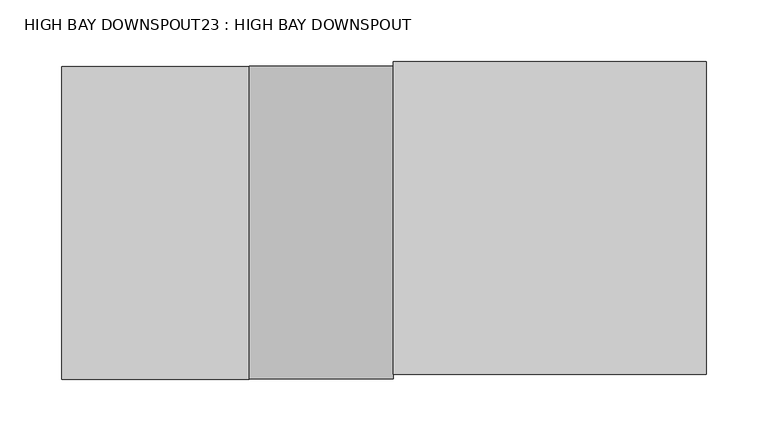
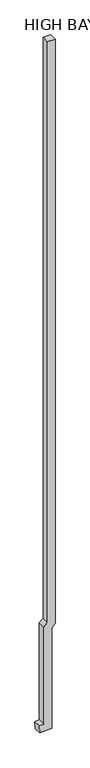
"""IFC4 building model written with IfcOpenShell, lengths in millimetres: proxy geometry, HIGH BAY DOWNSPOUT23 : HIGH BAY DOWNSPOUT."""

from ifc_helpers import new_model, si_unit, frame, origin, place, context, project, spatial, polyline, outline, extrude, source, transform, mapped, element, save


def high_bay_downspout23_high_bay_downspout_156d6f7f(model_context):
    return source(origin(), model_context, "Body", "SweptSolid", [
        extrude(outline(polyline([(3783.965, 383855.6673809), (24326.9422154, 383855.6673809), (24326.9422154, 383601.6673809), (3889.1752448, 383601.6673809), (3772.3352448, 383484.8273809), (364.6303549, 383484.8273809), (355.1053549, 383332.4273809), (101.6, 383348.2714656), (126.0097447, 383738.8273809), (3667.125, 383738.8273809), (3783.965, 383855.6673809)])), frame((0.0, 26589.1132308, 0.0), z_axis=(0.0, 1.0, 0.0), x_axis=(0.0, 0.0, 1.0)), (0.0, 0.0, 1.0), 254.0),
    ])


if __name__ == "__main__":
    model = new_model("IFC4")
    model_context = context("Model", 3, world=origin())
    ifc_project = project(units=[si_unit("LENGTHUNIT", "METRE", prefix="MILLI")], contexts=[model_context])
    site = spatial("IfcSite", under=ifc_project)
    building = spatial("IfcBuilding", under=site)
    placement = place(None, origin())
    high_bay_downspout23_high_bay_downspout_shape = high_bay_downspout23_high_bay_downspout_156d6f7f(model_context)
    element("IfcBuildingElementProxy", 1, Name="HIGH BAY DOWNSPOUT23 : HIGH BAY DOWNSPOUT", ObjectType="HIGH BAY DOWNSPOUT23 : HIGH BAY DOWNSPOUT", at=placement, inside=building, context=model_context, shape_type="MappedRepresentation", body=[
        mapped(high_bay_downspout23_high_bay_downspout_shape, transform((0.0, 0.0, 0.0), x_axis=(1.0, 0.0, 0.0), y_axis=(0.0, 1.0, 0.0), z_axis=(0.0, 0.0, 1.0))),
    ])
    save(model, "model.ifc")
